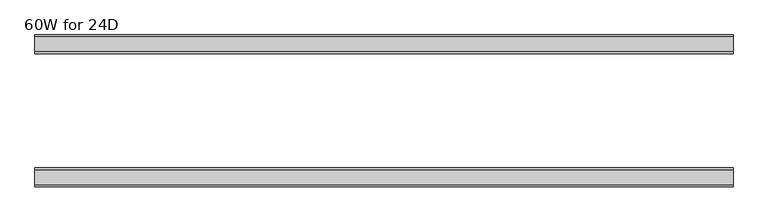
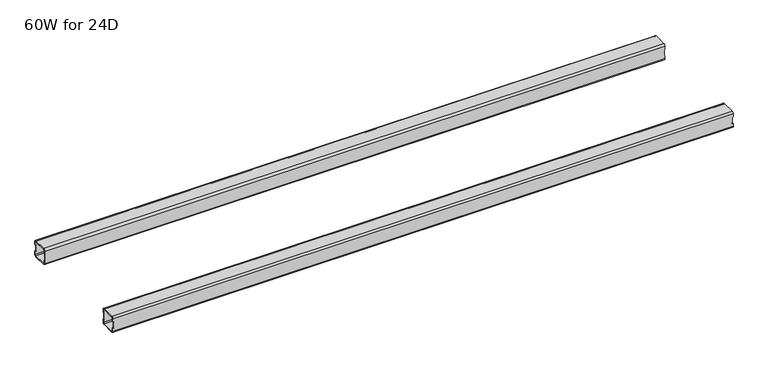
"""IFC4 building model written with IfcOpenShell, lengths in millimetres: furniture geometry, 60W for 24D."""

from ifc_helpers import new_model, si_unit, frame, origin, place, context, project, spatial, polyline, circle_curve, source, transform, mapped, element, save
from ifc_brep_helpers import plane_surface, cylinder_surface, revolved_surface, advanced_brep


def furniture_60w_for_24d_43d058f4(model_context):
    return source(origin(), model_context, "Body", "AdvancedBrep", [
        advanced_brep(
        [(1499.0028, -438.5082, 661.606), (1499.0028, -440.5082, 659.606), (1499.0028, -472.5082, 659.606), (1499.0028, -474.5082, 661.606), (1499.0028, -474.5082, 669.106), (1499.0028, -476.5082, 669.106), (1499.0028, -476.5082, 661.606), (1499.0028, -472.5082, 657.606), (1499.0028, -440.5082, 657.606), (1499.0028, -436.5082, 661.606), (1499.0028, -436.5082, 669.106), (1499.0028, -438.5082, 669.106), (1499.0028, -474.5082, 693.23), (1499.0028, -472.5082, 695.23), (1499.0028, -440.5082, 695.23), (1499.0028, -438.5082, 693.23), (1499.0028, -438.5082, 685.73), (1499.0028, -436.5082, 685.73), (1499.0028, -436.5082, 693.23), (1499.0028, -440.5082, 697.23), (1499.0028, -472.5082, 697.23), (1499.0028, -476.5082, 693.23), (1499.0028, -476.5082, 685.73), (1499.0028, -474.5082, 685.73), (22.0, -438.5082, 693.23), (22.0, -440.5082, 695.23), (22.0, -472.5082, 695.23), (22.0, -474.5082, 693.23), (22.0, -474.5082, 685.73), (22.0, -476.5082, 685.73), (22.0, -476.5082, 693.23), (22.0, -472.5082, 697.23), (22.0, -440.5082, 697.23), (22.0, -436.5082, 693.23), (22.0, -436.5082, 685.73), (22.0, -438.5082, 685.73), (22.0, -474.5082, 661.606), (22.0, -472.5082, 659.606), (22.0, -440.5082, 659.606), (22.0, -438.5082, 661.606), (22.0, -438.5082, 669.106), (22.0, -436.5082, 669.106), (22.0, -436.5082, 661.606), (22.0, -440.5082, 657.606), (22.0, -472.5082, 657.606), (22.0, -476.5082, 661.606), (22.0, -476.5082, 669.106), (22.0, -474.5082, 669.106), (23.365, -474.5082, 669.106), (24.0, -474.5082, 669.741), (24.0, -474.5082, 685.095), (23.365, -474.5082, 685.73), (1497.6378, -474.5082, 685.73), (1497.0028, -474.5082, 685.095), (1497.0028, -474.5082, 669.741), (1497.6378, -474.5082, 669.106), (1497.6378, -438.5082, 669.106), (1497.0028, -438.5082, 669.741), (1497.0028, -438.5082, 685.095), (1497.6378, -438.5082, 685.73), (23.365, -438.5082, 685.73), (24.0, -438.5082, 685.095), (24.0, -438.5082, 669.741), (23.365, -438.5082, 669.106), (23.365, -476.5082, 685.73), (24.0, -476.5082, 685.095), (24.0, -476.5082, 669.741), (23.365, -476.5082, 669.106), (1497.6378, -476.5082, 669.106), (1497.0028, -476.5082, 669.741), (1497.0028, -476.5082, 685.095), (1497.6378, -476.5082, 685.73), (1497.6378, -436.5082, 685.73), (1497.0028, -436.5082, 685.095), (1497.0028, -436.5082, 669.741), (1497.6378, -436.5082, 669.106), (23.365, -436.5082, 669.106), (24.0, -436.5082, 669.741), (24.0, -436.5082, 685.095), (23.365, -436.5082, 685.73)],
        [
            (0, 1, circle_curve(frame((1499.0028, -440.5082, 661.606), z_axis=(-1.0, 0.0, 0.0), x_axis=(0.0, 1.0, 0.0)), 2.0)),
            (1, 2),
            (2, 3, circle_curve(frame((1499.0028, -472.5082, 661.606), z_axis=(-1.0, 0.0, 0.0), x_axis=(0.0, 1.0, 0.0)), 2.0)),
            (3, 4),
            (4, 5),
            (5, 6),
            (6, 7, circle_curve(frame((1499.0028, -472.5082, 661.606), z_axis=(1.0, 0.0, 0.0), x_axis=(0.0, 1.0, 0.0)), 4.0)),
            (7, 8),
            (8, 9, circle_curve(frame((1499.0028, -440.5082, 661.606), z_axis=(1.0, 0.0, 0.0), x_axis=(0.0, 1.0, 0.0)), 4.0)),
            (9, 10),
            (10, 11),
            (11, 0),
            (12, 13, circle_curve(frame((1499.0028, -472.5082, 693.23), z_axis=(-1.0, 0.0, 0.0), x_axis=(0.0, 1.0, 0.0)), 2.0)),
            (13, 14),
            (14, 15, circle_curve(frame((1499.0028, -440.5082, 693.23), z_axis=(-1.0, 0.0, 0.0), x_axis=(0.0, 1.0, 0.0)), 2.0)),
            (15, 16),
            (16, 17),
            (17, 18),
            (18, 19, circle_curve(frame((1499.0028, -440.5082, 693.23), z_axis=(1.0, 0.0, 0.0), x_axis=(0.0, 1.0, 0.0)), 4.0)),
            (19, 20),
            (20, 21, circle_curve(frame((1499.0028, -472.5082, 693.23), z_axis=(1.0, 0.0, 0.0), x_axis=(0.0, 1.0, 0.0)), 4.0)),
            (21, 22),
            (22, 23),
            (23, 12),
            (24, 25, circle_curve(frame((22.0, -440.5082, 693.23), z_axis=(1.0, 0.0, 0.0), x_axis=(0.0, 1.0, 0.0)), 2.0)),
            (25, 26),
            (26, 27, circle_curve(frame((22.0, -472.5082, 693.23), z_axis=(1.0, 0.0, 0.0), x_axis=(0.0, 1.0, 0.0)), 2.0)),
            (27, 28),
            (28, 29),
            (29, 30),
            (30, 31, circle_curve(frame((22.0, -472.5082, 693.23), z_axis=(-1.0, 0.0, 0.0), x_axis=(0.0, 1.0, 0.0)), 4.0)),
            (31, 32),
            (32, 33, circle_curve(frame((22.0, -440.5082, 693.23), z_axis=(-1.0, 0.0, 0.0), x_axis=(0.0, 1.0, 0.0)), 4.0)),
            (33, 34),
            (34, 35),
            (35, 24),
            (36, 37, circle_curve(frame((22.0, -472.5082, 661.606), z_axis=(1.0, 0.0, 0.0), x_axis=(0.0, 1.0, 0.0)), 2.0)),
            (37, 38),
            (38, 39, circle_curve(frame((22.0, -440.5082, 661.606), z_axis=(1.0, 0.0, 0.0), x_axis=(0.0, 1.0, 0.0)), 2.0)),
            (39, 40),
            (40, 41),
            (41, 42),
            (42, 43, circle_curve(frame((22.0, -440.5082, 661.606), z_axis=(-1.0, 0.0, 0.0), x_axis=(0.0, 1.0, 0.0)), 4.0)),
            (43, 44),
            (44, 45, circle_curve(frame((22.0, -472.5082, 661.606), z_axis=(-1.0, 0.0, 0.0), x_axis=(0.0, 1.0, 0.0)), 4.0)),
            (45, 46),
            (46, 47),
            (47, 36),
            (0, 39),
            (38, 1),
            (37, 2),
            (36, 3),
            (47, 48),
            (48, 49, circle_curve(frame((23.365, -474.5082, 669.741), z_axis=(0.0, -1.0, 0.0), x_axis=(1.0, 0.0, 0.0)), 0.635)),
            (49, 50),
            (50, 51, circle_curve(frame((23.365, -474.5082, 685.095), z_axis=(0.0, -1.0, 0.0), x_axis=(1.0, 0.0, 0.0)), 0.635)),
            (51, 28),
            (27, 12),
            (23, 52),
            (52, 53, circle_curve(frame((1497.6378, -474.5082, 685.095), z_axis=(0.0, -1.0, 0.0), x_axis=(1.0, 0.0, 0.0)), 0.635)),
            (53, 54),
            (54, 55, circle_curve(frame((1497.6378, -474.5082, 669.741), z_axis=(0.0, -1.0, 0.0), x_axis=(1.0, 0.0, 0.0)), 0.635)),
            (55, 4),
            (26, 13),
            (25, 14),
            (24, 15),
            (11, 56),
            (56, 57, circle_curve(frame((1497.6378, -438.5082, 669.741), z_axis=(0.0, 1.0, 0.0), x_axis=(1.0, 0.0, 0.0)), 0.635)),
            (57, 58),
            (58, 59, circle_curve(frame((1497.6378, -438.5082, 685.095), z_axis=(0.0, 1.0, 0.0), x_axis=(1.0, 0.0, 0.0)), 0.635)),
            (59, 16),
            (35, 60),
            (60, 61, circle_curve(frame((23.365, -438.5082, 685.095), z_axis=(0.0, 1.0, 0.0), x_axis=(1.0, 0.0, 0.0)), 0.635)),
            (61, 62),
            (62, 63, circle_curve(frame((23.365, -438.5082, 669.741), z_axis=(0.0, 1.0, 0.0), x_axis=(1.0, 0.0, 0.0)), 0.635)),
            (63, 40),
            (18, 33),
            (32, 19),
            (31, 20),
            (30, 21),
            (29, 64),
            (64, 65, circle_curve(frame((23.365, -476.5082, 685.095), z_axis=(0.0, 1.0, 0.0), x_axis=(1.0, 0.0, 0.0)), 0.635)),
            (65, 66),
            (66, 67, circle_curve(frame((23.365, -476.5082, 669.741), z_axis=(0.0, 1.0, 0.0), x_axis=(1.0, 0.0, 0.0)), 0.635)),
            (67, 46),
            (45, 6),
            (5, 68),
            (68, 69, circle_curve(frame((1497.6378, -476.5082, 669.741), z_axis=(0.0, 1.0, 0.0), x_axis=(1.0, 0.0, 0.0)), 0.635)),
            (69, 70),
            (70, 71, circle_curve(frame((1497.6378, -476.5082, 685.095), z_axis=(0.0, 1.0, 0.0), x_axis=(1.0, 0.0, 0.0)), 0.635)),
            (71, 22),
            (44, 7),
            (43, 8),
            (42, 9),
            (17, 72),
            (72, 73, circle_curve(frame((1497.6378, -436.5082, 685.095), z_axis=(0.0, -1.0, 0.0), x_axis=(1.0, 0.0, 0.0)), 0.635)),
            (73, 74),
            (74, 75, circle_curve(frame((1497.6378, -436.5082, 669.741), z_axis=(0.0, -1.0, 0.0), x_axis=(1.0, 0.0, 0.0)), 0.635)),
            (75, 10),
            (41, 76),
            (76, 77, circle_curve(frame((23.365, -436.5082, 669.741), z_axis=(0.0, -1.0, 0.0), x_axis=(1.0, 0.0, 0.0)), 0.635)),
            (77, 78),
            (78, 79, circle_curve(frame((23.365, -436.5082, 685.095), z_axis=(0.0, -1.0, 0.0), x_axis=(1.0, 0.0, 0.0)), 0.635)),
            (79, 34),
            (71, 52),
            (59, 72),
            (70, 53),
            (58, 73),
            (69, 54),
            (57, 74),
            (68, 55),
            (56, 75),
            (51, 64),
            (79, 60),
            (67, 48),
            (63, 76),
            (66, 49),
            (62, 77),
            (65, 50),
            (61, 78),
        ],
        [
            plane_surface(frame((1499.0028, -438.5082, 661.606), z_axis=(1.0, 0.0, 0.0), x_axis=(0.0, 0.0, -1.0))),
            plane_surface(frame((22.0, -438.5082, 661.606), z_axis=(-1.0, 0.0, 0.0), x_axis=(0.0, 0.0, 1.0))),
            revolved_surface(polyline([(22.0, -438.5082, 661.606), (1499.0028, -438.5082, 661.606)]), (22.0, -440.5082, 661.606), (-1.0, 0.0, 0.0)),
            plane_surface(frame((1499.0028, -440.5082, 659.606), z_axis=(0.0, -5.198608210600606e-12, 1.0), x_axis=(-1.0, 0.0, 0.0))),
            revolved_surface(polyline([(22.0, -470.5082, 661.606), (1499.0028, -470.5082, 661.606)]), (22.0, -472.5082, 661.606), (-1.0, 0.0, 0.0)),
            plane_surface(frame((1499.0028, -474.5082, 661.606), z_axis=(0.0, 1.0, 0.0), x_axis=(-1.0, 0.0, 0.0))),
            revolved_surface(polyline([(22.0, -470.5082, 693.23), (1499.0028, -470.5082, 693.23)]), (22.0, -472.5082, 693.23), (-1.0, 0.0, 0.0)),
            plane_surface(frame((1499.0028, -472.5082, 695.23), z_axis=(0.0, 0.0, -1.0), x_axis=(-1.0, 0.0, 0.0))),
            revolved_surface(polyline([(22.0, -438.5082, 693.23), (1499.0028, -438.5082, 693.23)]), (22.0, -440.5082, 693.23), (-1.0, 0.0, 0.0)),
            plane_surface(frame((1499.0028, -438.5082, 693.23), z_axis=(0.0, -1.0, 0.0), x_axis=(-1.0, 0.0, 0.0))),
            cylinder_surface(frame((0.0, -440.5082, 693.23), z_axis=(1.0, 0.0, 0.0), x_axis=(0.0, 1.0, 0.0)), 4.0),
            plane_surface(frame((1499.0028, -440.5082, 697.23), z_axis=(0.0, 0.0, 1.0), x_axis=(-1.0, 0.0, 0.0))),
            cylinder_surface(frame((0.0, -472.5082, 693.23), z_axis=(1.0, 0.0, 0.0), x_axis=(0.0, 1.0, 0.0)), 4.0),
            plane_surface(frame((1499.0028, -476.5082, 693.23), z_axis=(0.0, -1.0, 0.0), x_axis=(-1.0, 0.0, 0.0))),
            cylinder_surface(frame((0.0, -472.5082, 661.606), z_axis=(1.0, 0.0, 0.0), x_axis=(0.0, 1.0, 0.0)), 4.0),
            plane_surface(frame((1499.0028, -472.5082, 657.606), z_axis=(0.0, 0.0, -1.0), x_axis=(-1.0, 0.0, 0.0))),
            cylinder_surface(frame((0.0, -440.5082, 661.606), z_axis=(1.0, 0.0, 0.0), x_axis=(0.0, 1.0, 0.0)), 4.0),
            plane_surface(frame((1499.0028, -436.5082, 661.606), z_axis=(0.0, 1.0, -5.2518576384018155e-12), x_axis=(-1.0, 0.0, 0.0))),
            plane_surface(frame((1499.0028, -476.5082, 685.73), z_axis=(1.1304656844538096e-11, 0.0, -1.0), x_axis=(0.0, 1.0, 0.0))),
            revolved_surface(polyline([(1498.2728, -476.5082, 685.095), (1498.2728, -474.5082, 685.095)]), (1497.6378, -436.5082, 685.095), (0.0, -1.0, 0.0)),
            revolved_surface(polyline([(1498.2728, -438.5082, 685.095), (1498.2728, -436.5082, 685.095)]), (1497.6378, -436.5082, 685.095), (0.0, -1.0, 0.0)),
            plane_surface(frame((1497.0028, -476.5082, 685.095), z_axis=(1.0, 0.0, 0.0), x_axis=(0.0, 1.0, 0.0))),
            revolved_surface(polyline([(1498.2728, -476.5082, 669.741), (1498.2728, -474.5082, 669.741)]), (1497.6378, -436.5082, 669.741), (0.0, -1.0, 0.0)),
            revolved_surface(polyline([(1498.2728, -438.5082, 669.741), (1498.2728, -436.5082, 669.741)]), (1497.6378, -436.5082, 669.741), (0.0, -1.0, 0.0)),
            plane_surface(frame((1497.6378, -476.5082, 669.106), z_axis=(0.0, 0.0, 1.0), x_axis=(0.0, 1.0, 0.0))),
            plane_surface(frame((23.365, -476.5082, 685.73), z_axis=(0.0, 0.0, -1.0), x_axis=(0.0, 1.0, 0.0))),
            plane_surface(frame((22.0, -476.5082, 669.106), z_axis=(-1.1502984157403295e-11, 0.0, 1.0), x_axis=(0.0, 1.0, 0.0))),
            revolved_surface(polyline([(24.0, -476.5082, 669.741), (24.0, -474.5082, 669.741)]), (23.365, -436.5082, 669.741), (0.0, -1.0, 0.0)),
            revolved_surface(polyline([(24.0, -438.5082, 669.741), (24.0, -436.5082, 669.741)]), (23.365, -436.5082, 669.741), (0.0, -1.0, 0.0)),
            plane_surface(frame((24.0, -476.5082, 669.741), z_axis=(-1.0, 0.0, 0.0), x_axis=(0.0, 1.0, 0.0))),
            revolved_surface(polyline([(24.0, -476.5082, 685.095), (24.0, -474.5082, 685.095)]), (23.365, -436.5082, 685.095), (0.0, -1.0, 0.0)),
            revolved_surface(polyline([(24.0, -438.5082, 685.095), (24.0, -436.5082, 685.095)]), (23.365, -436.5082, 685.095), (0.0, -1.0, 0.0)),
        ],
        [
            (0, [[1, 2, 3, 4, 5, 6, 7, 8, 9, 10, 11, 12]]),
            (0, [[13, 14, 15, 16, 17, 18, 19, 20, 21, 22, 23, 24]]),
            (1, [[25, 26, 27, 28, 29, 30, 31, 32, 33, 34, 35, 36]]),
            (1, [[37, 38, 39, 40, 41, 42, 43, 44, 45, 46, 47, 48]]),
            (2, [[-1, 49, -39, 50]]),
            (3, [[-2, -50, -38, 51]]),
            (4, [[-3, -51, -37, 52]]),
            (5, [[-52, -48, 53, 54, 55, 56, 57, -28, 58, -24, 59, 60, 61, 62, 63, -4]]),
            (6, [[-13, -58, -27, 64]]),
            (7, [[-14, -64, -26, 65]]),
            (8, [[-15, -65, -25, 66]]),
            (9, [[-49, -12, 67, 68, 69, 70, 71, -16, -66, -36, 72, 73, 74, 75, 76, -40]]),
            (10, [[-19, 77, -33, 78]]),
            (11, [[-20, -78, -32, 79]]),
            (12, [[-21, -79, -31, 80]]),
            (13, [[-80, -30, 81, 82, 83, 84, 85, -46, 86, -6, 87, 88, 89, 90, 91, -22]]),
            (14, [[-7, -86, -45, 92]]),
            (15, [[-8, -92, -44, 93]]),
            (16, [[-9, -93, -43, 94]]),
            (17, [[-77, -18, 95, 96, 97, 98, 99, -10, -94, -42, 100, 101, 102, 103, 104, -34]]),
            (18, [[105, -59, -23, -91]]),
            (18, [[106, -95, -17, -71]]),
            (19, [[-105, -90, 107, -60]]),
            (20, [[-106, -70, 108, -96]]),
            (21, [[-107, -89, 109, -61]]),
            (21, [[-108, -69, 110, -97]]),
            (22, [[-109, -88, 111, -62]]),
            (23, [[-110, -68, 112, -98]]),
            (24, [[-111, -87, -5, -63]]),
            (24, [[-112, -67, -11, -99]]),
            (25, [[113, -81, -29, -57]]),
            (25, [[114, -72, -35, -104]]),
            (26, [[115, -53, -47, -85]]),
            (26, [[116, -100, -41, -76]]),
            (27, [[-115, -84, 117, -54]]),
            (28, [[-116, -75, 118, -101]]),
            (29, [[-117, -83, 119, -55]]),
            (29, [[-118, -74, 120, -102]]),
            (30, [[-113, -56, -119, -82]]),
            (31, [[-114, -103, -120, -73]]),
        ],
    ),
        advanced_brep(
        [(1499.0028, -192.9996202, 693.23), (1499.0028, -190.9996202, 695.23), (1499.0028, -159.0003798, 695.23), (1499.0028, -157.0003798, 693.23), (1499.0028, -157.0003798, 685.73), (1499.0028, -155.0003798, 685.73), (1499.0028, -155.0003798, 693.23), (1499.0028, -159.0003798, 697.23), (1499.0028, -190.9996202, 697.23), (1499.0028, -194.9996202, 693.23), (1499.0028, -194.9996202, 685.73), (1499.0028, -192.9996202, 685.73), (1499.0028, -157.0003798, 661.606), (1499.0028, -159.0003798, 659.606), (1499.0028, -190.9996202, 659.606), (1499.0028, -192.9996202, 661.606), (1499.0028, -192.9996202, 669.106), (1499.0028, -194.9996202, 669.106), (1499.0028, -194.9996202, 661.606), (1499.0028, -190.9996202, 657.606), (1499.0028, -159.0003798, 657.606), (1499.0028, -155.0003798, 661.606), (1499.0028, -155.0003798, 669.106), (1499.0028, -157.0003798, 669.106), (22.0, -192.9996202, 661.606), (22.0, -190.9996202, 659.606), (22.0, -159.0003798, 659.606), (22.0, -157.0003798, 661.606), (22.0, -157.0003798, 669.106), (22.0, -155.0003798, 669.106), (22.0, -155.0003798, 661.606), (22.0, -159.0003798, 657.606), (22.0, -190.9996202, 657.606), (22.0, -194.9996202, 661.606), (22.0, -194.9996202, 669.106), (22.0, -192.9996202, 669.106), (22.0, -157.0003798, 693.23), (22.0, -159.0003798, 695.23), (22.0, -190.9996202, 695.23), (22.0, -192.9996202, 693.23), (22.0, -192.9996202, 685.73), (22.0, -194.9996202, 685.73), (22.0, -194.9996202, 693.23), (22.0, -190.9996202, 697.23), (22.0, -159.0003798, 697.23), (22.0, -155.0003798, 693.23), (22.0, -155.0003798, 685.73), (22.0, -157.0003798, 685.73), (1497.6378, -157.0003798, 669.106), (1497.0028, -157.0003798, 669.741), (1497.0028, -157.0003798, 685.095), (1497.6378, -157.0003798, 685.73), (23.365, -157.0003798, 685.73), (24.0, -157.0003798, 685.095), (24.0, -157.0003798, 669.741), (23.365, -157.0003798, 669.106), (23.365, -192.9996202, 669.106), (24.0, -192.9996202, 669.741), (24.0, -192.9996202, 685.095), (23.365, -192.9996202, 685.73), (1497.6378, -192.9996202, 685.73), (1497.0028, -192.9996202, 685.095), (1497.0028, -192.9996202, 669.741), (1497.6378, -192.9996202, 669.106), (1497.6378, -155.0003798, 685.73), (1497.0028, -155.0003798, 685.095), (1497.0028, -155.0003798, 669.741), (1497.6378, -155.0003798, 669.106), (23.365, -155.0003798, 669.106), (24.0, -155.0003798, 669.741), (24.0, -155.0003798, 685.095), (23.365, -155.0003798, 685.73), (23.365, -194.9996202, 685.73), (24.0, -194.9996202, 685.095), (24.0, -194.9996202, 669.741), (23.365, -194.9996202, 669.106), (1497.6378, -194.9996202, 669.106), (1497.0028, -194.9996202, 669.741), (1497.0028, -194.9996202, 685.095), (1497.6378, -194.9996202, 685.73)],
        [
            (0, 1, circle_curve(frame((1499.0028, -190.9996202, 693.23), z_axis=(-1.0, 0.0, 0.0), x_axis=(0.0, -1.0, 0.0)), 2.0)),
            (1, 2),
            (2, 3, circle_curve(frame((1499.0028, -159.0003798, 693.23), z_axis=(-1.0, 0.0, 0.0), x_axis=(0.0, -1.0, 0.0)), 2.0)),
            (3, 4),
            (4, 5),
            (5, 6),
            (6, 7, circle_curve(frame((1499.0028, -159.0003798, 693.23), z_axis=(1.0, 0.0, 0.0), x_axis=(0.0, -1.0, 0.0)), 4.0)),
            (7, 8),
            (8, 9, circle_curve(frame((1499.0028, -190.9996202, 693.23), z_axis=(1.0, 0.0, 0.0), x_axis=(0.0, -1.0, 0.0)), 4.0)),
            (9, 10),
            (10, 11),
            (11, 0),
            (12, 13, circle_curve(frame((1499.0028, -159.0003798, 661.606), z_axis=(-1.0, 0.0, 0.0), x_axis=(0.0, -1.0, 0.0)), 2.0)),
            (13, 14),
            (14, 15, circle_curve(frame((1499.0028, -190.9996202, 661.606), z_axis=(-1.0, 0.0, 0.0), x_axis=(0.0, -1.0, 0.0)), 2.0)),
            (15, 16),
            (16, 17),
            (17, 18),
            (18, 19, circle_curve(frame((1499.0028, -190.9996202, 661.606), z_axis=(1.0, 0.0, 0.0), x_axis=(0.0, -1.0, 0.0)), 4.0)),
            (19, 20),
            (20, 21, circle_curve(frame((1499.0028, -159.0003798, 661.606), z_axis=(1.0, 0.0, 0.0), x_axis=(0.0, -1.0, 0.0)), 4.0)),
            (21, 22),
            (22, 23),
            (23, 12),
            (24, 25, circle_curve(frame((22.0, -190.9996202, 661.606), z_axis=(1.0, 0.0, 0.0), x_axis=(0.0, -1.0, 0.0)), 2.0)),
            (25, 26),
            (26, 27, circle_curve(frame((22.0, -159.0003798, 661.606), z_axis=(1.0, 0.0, 0.0), x_axis=(0.0, -1.0, 0.0)), 2.0)),
            (27, 28),
            (28, 29),
            (29, 30),
            (30, 31, circle_curve(frame((22.0, -159.0003798, 661.606), z_axis=(-1.0, 0.0, 0.0), x_axis=(0.0, -1.0, 0.0)), 4.0)),
            (31, 32),
            (32, 33, circle_curve(frame((22.0, -190.9996202, 661.606), z_axis=(-1.0, 0.0, 0.0), x_axis=(0.0, -1.0, 0.0)), 4.0)),
            (33, 34),
            (34, 35),
            (35, 24),
            (36, 37, circle_curve(frame((22.0, -159.0003798, 693.23), z_axis=(1.0, 0.0, 0.0), x_axis=(0.0, -1.0, 0.0)), 2.0)),
            (37, 38),
            (38, 39, circle_curve(frame((22.0, -190.9996202, 693.23), z_axis=(1.0, 0.0, 0.0), x_axis=(0.0, -1.0, 0.0)), 2.0)),
            (39, 40),
            (40, 41),
            (41, 42),
            (42, 43, circle_curve(frame((22.0, -190.9996202, 693.23), z_axis=(-1.0, 0.0, 0.0), x_axis=(0.0, -1.0, 0.0)), 4.0)),
            (43, 44),
            (44, 45, circle_curve(frame((22.0, -159.0003798, 693.23), z_axis=(-1.0, 0.0, 0.0), x_axis=(0.0, -1.0, 0.0)), 4.0)),
            (45, 46),
            (46, 47),
            (47, 36),
            (14, 25),
            (24, 15),
            (13, 26),
            (12, 27),
            (23, 48),
            (48, 49, circle_curve(frame((1497.6378, -157.0003798, 669.741), z_axis=(0.0, 1.0, 0.0), x_axis=(1.0, 0.0, 0.0)), 0.635)),
            (49, 50),
            (50, 51, circle_curve(frame((1497.6378, -157.0003798, 685.095), z_axis=(0.0, 1.0, 0.0), x_axis=(1.0, 0.0, 0.0)), 0.635)),
            (51, 4),
            (3, 36),
            (47, 52),
            (52, 53, circle_curve(frame((23.365, -157.0003798, 685.095), z_axis=(0.0, 1.0, 0.0), x_axis=(1.0, 0.0, 0.0)), 0.635)),
            (53, 54),
            (54, 55, circle_curve(frame((23.365, -157.0003798, 669.741), z_axis=(0.0, 1.0, 0.0), x_axis=(1.0, 0.0, 0.0)), 0.635)),
            (55, 28),
            (2, 37),
            (1, 38),
            (0, 39),
            (35, 56),
            (56, 57, circle_curve(frame((23.365, -192.9996202, 669.741), z_axis=(0.0, -1.0, 0.0), x_axis=(1.0, 0.0, 0.0)), 0.635)),
            (57, 58),
            (58, 59, circle_curve(frame((23.365, -192.9996202, 685.095), z_axis=(0.0, -1.0, 0.0), x_axis=(1.0, 0.0, 0.0)), 0.635)),
            (59, 40),
            (11, 60),
            (60, 61, circle_curve(frame((1497.6378, -192.9996202, 685.095), z_axis=(0.0, -1.0, 0.0), x_axis=(1.0, 0.0, 0.0)), 0.635)),
            (61, 62),
            (62, 63, circle_curve(frame((1497.6378, -192.9996202, 669.741), z_axis=(0.0, -1.0, 0.0), x_axis=(1.0, 0.0, 0.0)), 0.635)),
            (63, 16),
            (8, 43),
            (42, 9),
            (7, 44),
            (6, 45),
            (5, 64),
            (64, 65, circle_curve(frame((1497.6378, -155.0003798, 685.095), z_axis=(0.0, -1.0, 0.0), x_axis=(1.0, 0.0, 0.0)), 0.635)),
            (65, 66),
            (66, 67, circle_curve(frame((1497.6378, -155.0003798, 669.741), z_axis=(0.0, -1.0, 0.0), x_axis=(1.0, 0.0, 0.0)), 0.635)),
            (67, 22),
            (21, 30),
            (29, 68),
            (68, 69, circle_curve(frame((23.365, -155.0003798, 669.741), z_axis=(0.0, -1.0, 0.0), x_axis=(1.0, 0.0, 0.0)), 0.635)),
            (69, 70),
            (70, 71, circle_curve(frame((23.365, -155.0003798, 685.095), z_axis=(0.0, -1.0, 0.0), x_axis=(1.0, 0.0, 0.0)), 0.635)),
            (71, 46),
            (20, 31),
            (19, 32),
            (18, 33),
            (41, 72),
            (72, 73, circle_curve(frame((23.365, -194.9996202, 685.095), z_axis=(0.0, 1.0, 0.0), x_axis=(1.0, 0.0, 0.0)), 0.635)),
            (73, 74),
            (74, 75, circle_curve(frame((23.365, -194.9996202, 669.741), z_axis=(0.0, 1.0, 0.0), x_axis=(1.0, 0.0, 0.0)), 0.635)),
            (75, 34),
            (17, 76),
            (76, 77, circle_curve(frame((1497.6378, -194.9996202, 669.741), z_axis=(0.0, 1.0, 0.0), x_axis=(1.0, 0.0, 0.0)), 0.635)),
            (77, 78),
            (78, 79, circle_curve(frame((1497.6378, -194.9996202, 685.095), z_axis=(0.0, 1.0, 0.0), x_axis=(1.0, 0.0, 0.0)), 0.635)),
            (79, 10),
            (51, 64),
            (79, 60),
            (50, 65),
            (78, 61),
            (49, 66),
            (77, 62),
            (48, 67),
            (76, 63),
            (71, 52),
            (59, 72),
            (55, 68),
            (75, 56),
            (54, 69),
            (74, 57),
            (53, 70),
            (73, 58),
        ],
        [
            plane_surface(frame((1499.0028, -192.9996202, 693.23), z_axis=(1.0, 0.0, 0.0), x_axis=(0.0, 0.0, 1.0))),
            plane_surface(frame((22.0, -192.9996202, 693.23), z_axis=(-1.0, 0.0, 0.0), x_axis=(0.0, 0.0, -1.0))),
            revolved_surface(polyline([(22.0, -192.9996202, 661.606), (1499.0028, -192.9996202, 661.606)]), (22.0, -190.9996202, 661.606), (-1.0, 0.0, 0.0)),
            plane_surface(frame((1499.0028, -159.0003798, 659.606), z_axis=(0.0, -1.0152120353860418e-12, 1.0), x_axis=(-1.0, 0.0, 0.0))),
            revolved_surface(polyline([(22.0, -161.0003798, 661.606), (1499.0028, -161.0003798, 661.606)]), (22.0, -159.0003798, 661.606), (-1.0, 0.0, 0.0)),
            plane_surface(frame((1499.0028, -157.0003798, 693.23), z_axis=(0.0, -1.0, 0.0), x_axis=(-1.0, 0.0, 0.0))),
            revolved_surface(polyline([(22.0, -161.0003798, 693.23), (1499.0028, -161.0003798, 693.23)]), (22.0, -159.0003798, 693.23), (-1.0, 0.0, 0.0)),
            plane_surface(frame((1499.0028, -190.9996202, 695.23), z_axis=(0.0, 0.0, -1.0), x_axis=(-1.0, 0.0, 0.0))),
            revolved_surface(polyline([(22.0, -192.9996202, 693.23), (1499.0028, -192.9996202, 693.23)]), (22.0, -190.9996202, 693.23), (-1.0, 0.0, 0.0)),
            plane_surface(frame((1499.0028, -192.9996202, 661.606), z_axis=(0.0, 1.0, 0.0), x_axis=(-1.0, 0.0, 0.0))),
            cylinder_surface(frame((0.0, -190.9996202, 693.23), z_axis=(1.0, 0.0, 0.0), x_axis=(0.0, -1.0, 0.0)), 4.0),
            plane_surface(frame((1499.0028, -159.0003798, 697.23), z_axis=(0.0, 0.0, 1.0), x_axis=(-1.0, 0.0, 0.0))),
            cylinder_surface(frame((0.0, -159.0003798, 693.23), z_axis=(1.0, 0.0, 0.0), x_axis=(0.0, -1.0, 0.0)), 4.0),
            plane_surface(frame((1499.0028, -155.0003798, 661.606), z_axis=(0.0, 1.0, 0.0), x_axis=(-1.0, 0.0, 0.0))),
            cylinder_surface(frame((0.0, -159.0003798, 661.606), z_axis=(1.0, 0.0, 0.0), x_axis=(0.0, -1.0, 0.0)), 4.0),
            plane_surface(frame((1499.0028, -190.9996202, 657.606), z_axis=(0.0, 0.0, -1.0), x_axis=(-1.0, 0.0, 0.0))),
            cylinder_surface(frame((0.0, -190.9996202, 661.606), z_axis=(1.0, 0.0, 0.0), x_axis=(0.0, -1.0, 0.0)), 4.0),
            plane_surface(frame((1499.0028, -194.9996202, 693.23), z_axis=(0.0, -1.0, 1.031538460347768e-12), x_axis=(-1.0, 0.0, 0.0))),
            plane_surface(frame((1497.6378, -155.0003798, 685.73), z_axis=(-8.795816333430663e-11, 0.0, -1.0), x_axis=(0.0, -1.0, 0.0))),
            revolved_surface(polyline([(1498.2728, -155.0003798, 685.095), (1498.2728, -157.0003798, 685.095)]), (1497.6378, -194.9996202, 685.095), (0.0, 1.0, 0.0)),
            revolved_surface(polyline([(1498.2728, -192.9996202, 685.095), (1498.2728, -194.9996202, 685.095)]), (1497.6378, -194.9996202, 685.095), (0.0, 1.0, 0.0)),
            plane_surface(frame((1497.0028, -155.0003798, 669.741), z_axis=(1.0, 0.0, 7.599253170607055e-12), x_axis=(0.0, -1.0, 0.0))),
            revolved_surface(polyline([(1498.2728, -155.0003798, 669.741), (1498.2728, -157.0003798, 669.741)]), (1497.6378, -194.9996202, 669.741), (0.0, 1.0, 0.0)),
            revolved_surface(polyline([(1498.2728, -192.9996202, 669.741), (1498.2728, -194.9996202, 669.741)]), (1497.6378, -194.9996202, 669.741), (0.0, 1.0, 0.0)),
            plane_surface(frame((1499.0028, -155.0003798, 669.106), z_axis=(0.0, 0.0, 1.0), x_axis=(0.0, -1.0, 0.0))),
            plane_surface(frame((22.0, -155.0003798, 685.73), z_axis=(0.0, 0.0, -1.0), x_axis=(0.0, -1.0, 0.0))),
            plane_surface(frame((23.365, -155.0003798, 669.106), z_axis=(-5.225924699537661e-11, 0.0, 1.0), x_axis=(0.0, -1.0, 0.0))),
            revolved_surface(polyline([(24.0, -155.0003798, 669.741), (24.0, -157.0003798, 669.741)]), (23.365, -194.9996202, 669.741), (0.0, 1.0, 0.0)),
            revolved_surface(polyline([(24.0, -192.9996202, 669.741), (24.0, -194.9996202, 669.741)]), (23.365, -194.9996202, 669.741), (0.0, 1.0, 0.0)),
            plane_surface(frame((24.0, -155.0003798, 685.095), z_axis=(-1.0, 0.0, 3.5288150327146853e-12), x_axis=(0.0, -1.0, 0.0))),
            revolved_surface(polyline([(24.0, -155.0003798, 685.095), (24.0, -157.0003798, 685.095)]), (23.365, -194.9996202, 685.095), (0.0, 1.0, 0.0)),
            revolved_surface(polyline([(24.0, -192.9996202, 685.095), (24.0, -194.9996202, 685.095)]), (23.365, -194.9996202, 685.095), (0.0, 1.0, 0.0)),
        ],
        [
            (0, [[1, 2, 3, 4, 5, 6, 7, 8, 9, 10, 11, 12]]),
            (0, [[13, 14, 15, 16, 17, 18, 19, 20, 21, 22, 23, 24]]),
            (1, [[25, 26, 27, 28, 29, 30, 31, 32, 33, 34, 35, 36]]),
            (1, [[37, 38, 39, 40, 41, 42, 43, 44, 45, 46, 47, 48]]),
            (2, [[-15, 49, -25, 50]]),
            (3, [[-14, 51, -26, -49]]),
            (4, [[-13, 52, -27, -51]]),
            (5, [[-52, -24, 53, 54, 55, 56, 57, -4, 58, -48, 59, 60, 61, 62, 63, -28]]),
            (6, [[-3, 64, -37, -58]]),
            (7, [[-2, 65, -38, -64]]),
            (8, [[-1, 66, -39, -65]]),
            (9, [[-50, -36, 67, 68, 69, 70, 71, -40, -66, -12, 72, 73, 74, 75, 76, -16]]),
            (10, [[-9, 77, -43, 78]]),
            (11, [[-8, 79, -44, -77]]),
            (12, [[-7, 80, -45, -79]]),
            (13, [[-80, -6, 81, 82, 83, 84, 85, -22, 86, -30, 87, 88, 89, 90, 91, -46]]),
            (14, [[-21, 92, -31, -86]]),
            (15, [[-20, 93, -32, -92]]),
            (16, [[-19, 94, -33, -93]]),
            (17, [[-78, -42, 95, 96, 97, 98, 99, -34, -94, -18, 100, 101, 102, 103, 104, -10]]),
            (18, [[105, -81, -5, -57]]),
            (18, [[106, -72, -11, -104]]),
            (19, [[-105, -56, 107, -82]]),
            (20, [[-106, -103, 108, -73]]),
            (21, [[-107, -55, 109, -83]]),
            (21, [[-108, -102, 110, -74]]),
            (22, [[-109, -54, 111, -84]]),
            (23, [[-110, -101, 112, -75]]),
            (24, [[-111, -53, -23, -85]]),
            (24, [[-112, -100, -17, -76]]),
            (25, [[113, -59, -47, -91]]),
            (25, [[114, -95, -41, -71]]),
            (26, [[115, -87, -29, -63]]),
            (26, [[116, -67, -35, -99]]),
            (27, [[-115, -62, 117, -88]]),
            (28, [[-116, -98, 118, -68]]),
            (29, [[-117, -61, 119, -89]]),
            (29, [[-118, -97, 120, -69]]),
            (30, [[-119, -60, -113, -90]]),
            (31, [[-120, -96, -114, -70]]),
        ],
    ),
    ])


if __name__ == "__main__":
    model = new_model("IFC4")
    model_context = context("Model", 3, world=origin())
    ifc_project = project(units=[si_unit("LENGTHUNIT", "METRE", prefix="MILLI")], contexts=[model_context])
    site = spatial("IfcSite", under=ifc_project)
    building = spatial("IfcBuilding", under=site)
    placement = place(None, origin())
    furniture_60w_for_24d_shape = furniture_60w_for_24d_43d058f4(model_context)
    element("IfcFurniture", 1, ObjectType="60W for 24D", at=placement, inside=building, context=model_context, shape_type="MappedRepresentation", body=[
        mapped(furniture_60w_for_24d_shape, transform((0.0, 0.0, 0.0), x_axis=(1.0, 0.0, 0.0), y_axis=(0.0, 1.0, 0.0), z_axis=(0.0, 0.0, 1.0))),
    ])
    save(model, "model.ifc")
